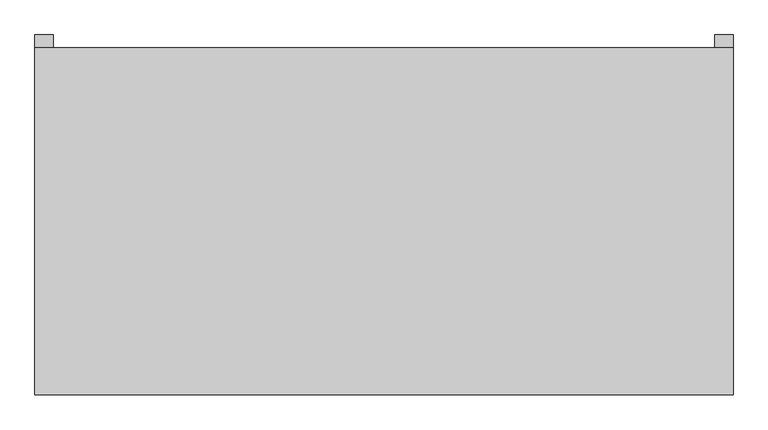
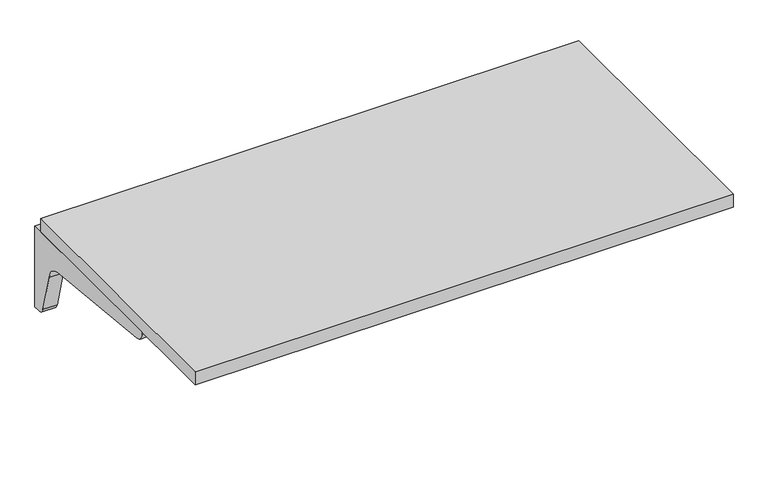
"""IFC4 building model written with IfcOpenShell, lengths in millimetres: furniture geometry."""

from ifc_helpers import new_model, si_unit, point, frame, frame_2d, origin, place, context, project, spatial, polyline, circle_curve, trimmed, segment, composite_curve, outline, extrude, source, transform, mapped, element, save


def furniture_083a197f(model_context):
    return source(origin(), model_context, "Body", "SweptSolid", [
        extrude(outline(composite_curve([segment(polyline([(314.325, 704.85), (314.325, 511.175), (301.625, 511.175)]), True, "CONTINUOUS"), segment(trimmed(circle_curve(frame_2d((299.3081081, 528.3371622)), 17.3178462), [point((301.625, 511.175))], [point((282.575, 523.875))], False, "CARTESIAN"), True, "CONTINUOUS"), segment(polyline([(282.575, 523.875), (257.175, 615.95)]), True, "CONTINUOUS"), segment(trimmed(circle_curve(frame_2d((221.8170455, 612.3420455)), 35.5415572), [point((257.175, 615.95))], [point((225.425, 647.7))], True, "CARTESIAN"), True, "CONTINUOUS"), segment(polyline([(225.425, 647.7), (-85.725, 679.45)]), True, "CONTINUOUS"), segment(trimmed(circle_curve(frame_2d((-85.725, 698.5)), 19.05), [point((-85.725, 679.45))], [point((-104.775, 698.5))], False, "CARTESIAN"), True, "CONTINUOUS"), segment(polyline([(-104.775, 698.5), (-104.775, 704.85), (314.325, 704.85)]), True, "CONTINUOUS")], self_intersect=False)), frame((577.85, 0.0, 0.0), z_axis=(1.0, 0.0, 0.0), x_axis=(0.0, 1.0, 0.0)), (0.0, 0.0, 1.0), 31.75),
        extrude(outline(composite_curve([segment(polyline([(314.325, 704.85), (314.325, 511.175), (301.625, 511.175)]), True, "CONTINUOUS"), segment(trimmed(circle_curve(frame_2d((299.3081081, 528.3371622)), 17.3178462), [point((301.625, 511.175))], [point((282.575, 523.875))], False, "CARTESIAN"), True, "CONTINUOUS"), segment(polyline([(282.575, 523.875), (257.175, 615.95)]), True, "CONTINUOUS"), segment(trimmed(circle_curve(frame_2d((221.8170455, 612.3420455)), 35.5415572), [point((257.175, 615.95))], [point((225.425, 647.7))], True, "CARTESIAN"), True, "CONTINUOUS"), segment(polyline([(225.425, 647.7), (-85.725, 679.45)]), True, "CONTINUOUS"), segment(trimmed(circle_curve(frame_2d((-85.725, 698.5)), 19.05), [point((-85.725, 679.45))], [point((-104.775, 698.5))], False, "CARTESIAN"), True, "CONTINUOUS"), segment(polyline([(-104.775, 698.5), (-104.775, 704.85), (314.325, 704.85)]), True, "CONTINUOUS")], self_intersect=False)), frame((-609.6, 0.0, 0.0), z_axis=(1.0, 0.0, 0.0), x_axis=(0.0, 1.0, 0.0)), (0.0, 0.0, 1.0), 31.75),
        extrude(outline(polyline([(-609.6, 292.1), (609.6, 292.1), (609.6, -314.325), (-609.6, -314.325), (-609.6, 292.1)])), frame((0.0, 0.0, 704.85), z_axis=(0.0, 0.0, 1.0), x_axis=(1.0, 0.0, 0.0)), (0.0, 0.0, 1.0), 31.75),
    ])


if __name__ == "__main__":
    model = new_model("IFC4")
    model_context = context("Model", 3, world=origin())
    ifc_project = project(units=[si_unit("LENGTHUNIT", "METRE", prefix="MILLI")], contexts=[model_context])
    site = spatial("IfcSite", under=ifc_project)
    building = spatial("IfcBuilding", under=site)
    placement = place(None, origin())
    furniture_shape = furniture_083a197f(model_context)
    element("IfcFurniture", 1, at=placement, inside=building, context=model_context, shape_type="MappedRepresentation", body=[
        mapped(furniture_shape, transform((0.0, 0.0, 0.0), x_axis=(1.0, 0.0, 0.0), y_axis=(0.0, 1.0, 0.0), z_axis=(0.0, 0.0, 1.0))),
    ])
    save(model, "model.ifc")
